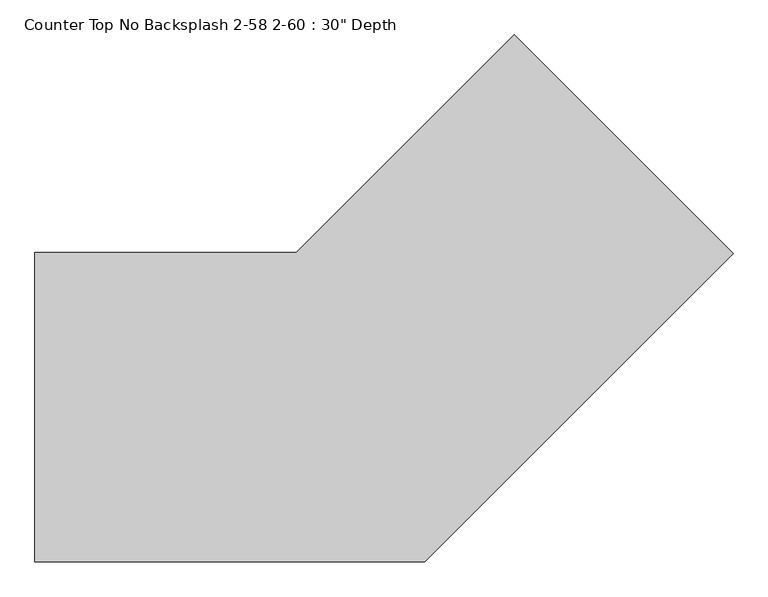
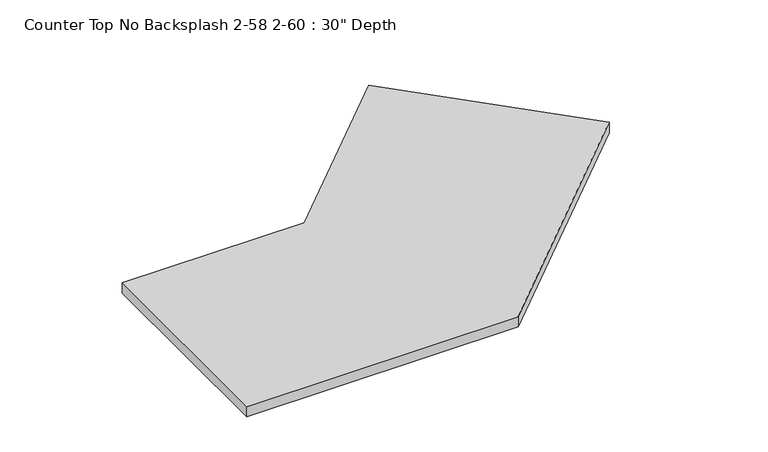
"""IFC4 building model written with IfcOpenShell, lengths in millimetres: furniture geometry."""

from ifc_helpers import new_model, si_unit, frame, origin, place, context, project, spatial, polyline, outline, extrude, source, transform, mapped, element, save


def furniture_d2043463(model_context):
    return source(origin(), model_context, "Body", "SweptSolid", [
        extrude(outline(polyline([(-557.3422484, 0.0), (-21.2041311, 536.1381173), (517.6112362, -2.67725), (-241.7115138, -762.0), (-1200.4622951, -762.0), (-1200.4622951, 0.0), (-557.3422484, 0.0)])), frame((0.0, 0.0, 876.3), z_axis=(0.0, 0.0, 1.0), x_axis=(1.0, 0.0, 0.0)), (0.0, 0.0, 1.0), 38.1),
    ])


if __name__ == "__main__":
    model = new_model("IFC4")
    model_context = context("Model", 3, world=origin())
    ifc_project = project(units=[si_unit("LENGTHUNIT", "METRE", prefix="MILLI")], contexts=[model_context])
    site = spatial("IfcSite", under=ifc_project)
    building = spatial("IfcBuilding", under=site)
    placement = place(None, origin())
    furniture_shape = furniture_d2043463(model_context)
    element("IfcFurniture", 1, ObjectType="Counter Top No Backsplash 2-58 2-60 : 30\" Depth", at=placement, inside=building, context=model_context, shape_type="MappedRepresentation", body=[
        mapped(furniture_shape, transform((0.0, 0.0, 0.0), x_axis=(1.0, 0.0, 0.0), y_axis=(0.0, 1.0, 0.0), z_axis=(0.0, 0.0, 1.0))),
    ])
    save(model, "model.ifc")
